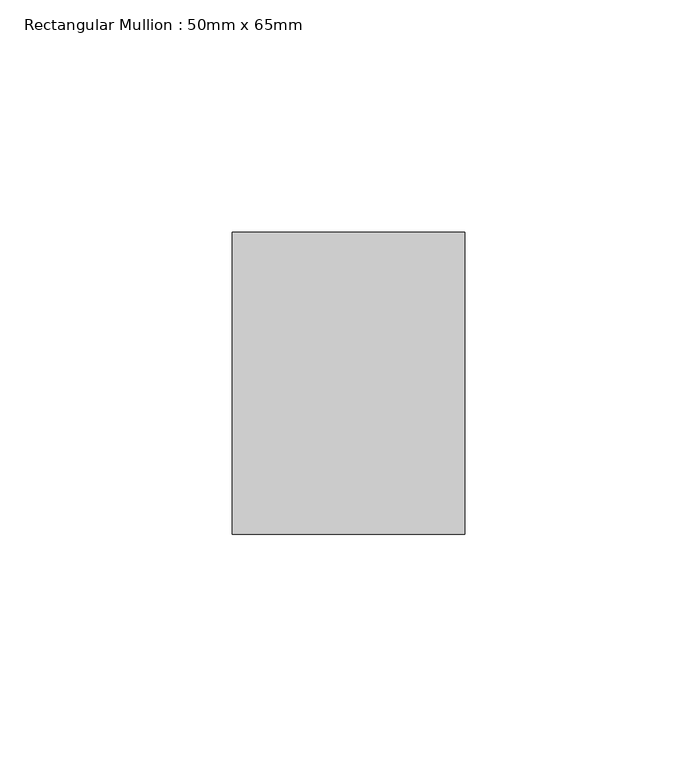
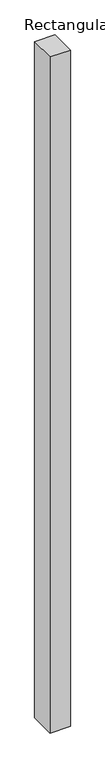
"""IFC4 building model written with IfcOpenShell, lengths in millimetres: member geometry, Rectangular Mullion : 50mm x 65mm."""

import ifcopenshell
import ifcopenshell.guid

model = None  # the IFC model being written
_history = None  # IfcOwnerHistory: only IFC2X3 demands one
_inside = {}  # id of a spatial element -> (the spatial element, [elements in it])
_under = {}  # id of a project, library or spatial element -> (it, [spatial elements below it])
_declared = {}  # id of a project -> (the project, [libraries it declares])
_typed = {}  # id of a type object -> (the type object, [elements of that type])
_made_of = {}  # id of a material, layer set ... -> (it, [elements and type objects made of it])


def new_model(schema):
    """Start an empty IFC model of exactly this schema.

    Asked for "IFC4X3", IfcOpenShell would pick the latest addendum, in which some entities
    have other attributes; the version numbers below select the first issue.
    IFC2X3 requires an IfcOwnerHistory on every rooted entity: one is made here for all.
    """
    global model, _history
    if schema == "IFC4X3":
        model = ifcopenshell.file(schema_version=(4, 3, 0, 0))
    else:
        model = ifcopenshell.file(schema=schema)
    _inside.clear()
    _under.clear()
    _declared.clear()
    _typed.clear()
    _made_of.clear()
    _history = None
    if model.schema == "IFC2X3":
        org = make("IfcOrganization", Name="unknown")
        user = make(
            "IfcPersonAndOrganization",
            ThePerson=make("IfcPerson", FamilyName="unknown"),
            TheOrganization=org,
        )
        app = make(
            "IfcApplication",
            ApplicationDeveloper=org,
            Version="unknown",
            ApplicationFullName="unknown",
            ApplicationIdentifier="unknown",
        )
        _history = make(
            "IfcOwnerHistory",
            OwningUser=user,
            OwningApplication=app,
            ChangeAction="ADDED",
            CreationDate=0,
        )
    return model


def make(cls, **values):
    """One entity of the class cls with the attributes given. An attribute that is None is left unset."""
    return model.create_entity(
        cls, **{name: value for name, value in values.items() if value is not None}
    )


def rooted(cls, **values):
    """An entity with a GlobalId (a new one), such as an element, a storey or a relation."""
    return make(cls, GlobalId=ifcopenshell.guid.new(), OwnerHistory=_history, **values)


def si_unit(unit_type, name, prefix=None):
    """IfcSIUnit, for example si_unit("LENGTHUNIT", "METRE", prefix="MILLI")."""
    return make("IfcSIUnit", UnitType=unit_type, Prefix=prefix, Name=name)


def assignment(units):
    """IfcUnitAssignment: the units of a project."""
    return None if units is None else make("IfcUnitAssignment", Units=units)


def point(xyz):
    """IfcCartesianPoint."""
    return None if xyz is None else make("IfcCartesianPoint", Coordinates=xyz)


def direction(xyz):
    """IfcDirection."""
    return None if xyz is None else make("IfcDirection", DirectionRatios=xyz)


def frame(location, z_axis=None, x_axis=None):
    """IfcAxis2Placement3D, a coordinate frame: its origin and axes. An axis left out is left unset."""
    return make(
        "IfcAxis2Placement3D",
        Location=point(location),
        Axis=direction(z_axis),
        RefDirection=direction(x_axis),
    )


def origin():
    """The frame at (0, 0, 0) with its axes left unset."""
    return frame((0.0, 0.0, 0.0))


def place(relative_to, where):
    """IfcLocalPlacement: puts the frame where relative to a parent placement (None: the world)."""
    return make(
        "IfcLocalPlacement", PlacementRelTo=relative_to, RelativePlacement=where
    )


def context(
    kind, dimensions, precision=None, world=None, true_north=None, identifier=None
):
    """IfcGeometricRepresentationContext, for example the 3D "Model" context."""
    return make(
        "IfcGeometricRepresentationContext",
        ContextIdentifier=identifier,
        ContextType=kind,
        CoordinateSpaceDimension=dimensions,
        Precision=precision,
        WorldCoordinateSystem=world,
        TrueNorth=true_north,
    )


def project(units=None, contexts=None):
    """IfcProject with its units and contexts."""
    return rooted(
        "IfcProject",
        Name="project",
        RepresentationContexts=contexts,
        UnitsInContext=assignment(units),
    )


def spatial(cls, under=None, at=None, **own):
    """A site, building, storey or space (cls), placed at a placement, below another one or the project."""
    s = rooted(cls, ObjectPlacement=at, **own)
    if under is not None:
        _under.setdefault(under.id(), (under, []))[1].append(s)
    return s


def polyline(points):
    """IfcPolyline through the points."""
    return make("IfcPolyline", Points=[point(p) for p in points])


def outline(outer, holes=None, kind="AREA"):
    """IfcArbitraryClosedProfileDef: a profile drawn as a closed curve; with holes, ...WithVoids."""
    if holes is None:
        return make("IfcArbitraryClosedProfileDef", ProfileType=kind, OuterCurve=outer)
    return make(
        "IfcArbitraryProfileDefWithVoids",
        ProfileType=kind,
        OuterCurve=outer,
        InnerCurves=holes,
    )


def extrude(swept, where, along, depth):
    """IfcExtrudedAreaSolid: the profile swept, set in the frame where, extruded along a direction by depth."""
    return make(
        "IfcExtrudedAreaSolid",
        SweptArea=swept,
        Position=where,
        ExtrudedDirection=direction(along),
        Depth=depth,
    )


def shape(context_of_items, identifier, shape_type, items):
    """IfcShapeRepresentation: the items that make up one representation, for example the "Body"."""
    return make(
        "IfcShapeRepresentation",
        ContextOfItems=context_of_items,
        RepresentationIdentifier=identifier,
        RepresentationType=shape_type,
        Items=items,
    )


def source(mapping_origin, context_of_items, identifier, shape_type, items):
    """IfcRepresentationMap: a shape defined once, which mapped items show again and again."""
    return make(
        "IfcRepresentationMap",
        MappingOrigin=mapping_origin,
        MappedRepresentation=shape(context_of_items, identifier, shape_type, items),
    )


def transform(
    local_origin,
    x_axis=None,
    y_axis=None,
    z_axis=None,
    scale=None,
    scale2=None,
    scale3=None,
    uniform=True,
):
    """IfcCartesianTransformationOperator3D, or its non-uniform kind. x_axis, y_axis, z_axis: its Axis1, 2, 3."""
    if uniform:
        return make(
            "IfcCartesianTransformationOperator3D",
            Axis1=direction(x_axis),
            Axis2=direction(y_axis),
            LocalOrigin=point(local_origin),
            Scale=scale,
            Axis3=direction(z_axis),
        )
    return make(
        "IfcCartesianTransformationOperator3DnonUniform",
        Axis1=direction(x_axis),
        Axis2=direction(y_axis),
        LocalOrigin=point(local_origin),
        Scale=scale,
        Axis3=direction(z_axis),
        Scale2=scale2,
        Scale3=scale3,
    )


def mapped(mapping_source, mapping_target):
    """IfcMappedItem: shows the shape of a source again, moved by a transform."""
    return make(
        "IfcMappedItem", MappingSource=mapping_source, MappingTarget=mapping_target
    )


def made_of(thing, what):
    """Note that an element or type object is made of a material, layer set ...; save() writes the relation."""
    if what is not None:
        _made_of.setdefault(what.id(), (what, []))[1].append(thing)
    return thing


def element(
    cls,
    number,
    at=None,
    inside=None,
    cuts=None,
    type_object=None,
    material=None,
    context=None,
    identifier="Body",
    shape_type=None,
    held_by="IfcProductDefinitionShape",
    body=None,
    shapes=None,
    **own,
):
    """One element of the class cls, such as IfcWall. Its Tag is "e" and its number.

    at: its placement. inside: the storey or other place that contains it. cuts: it is an
    opening in that element (IfcRelVoidsElement). A single representation is given by context,
    identifier, shape_type and body (its items); several are given by shapes. held_by: the class
    of the entity that holds the representations. save() writes the other relations.
    """
    e = rooted(cls, Tag="e%d" % number, ObjectPlacement=at, **own)
    if body is not None:
        shapes = [shape(context, identifier, shape_type, body)]
    if shapes is not None:
        e.Representation = make(held_by, Representations=shapes)
    if inside is not None:
        _inside.setdefault(inside.id(), (inside, []))[1].append(e)
    if cuts is not None:
        rooted(
            "IfcRelVoidsElement", RelatingBuildingElement=cuts, RelatedOpeningElement=e
        )
    if type_object is not None:
        _typed.setdefault(type_object.id(), (type_object, []))[1].append(e)
    return made_of(e, material)


def aggregate(whole, parts):
    """IfcRelAggregates: a whole, such as a stair, and the parts it consists of."""
    return rooted("IfcRelAggregates", RelatingObject=whole, RelatedObjects=parts)


def save(model, path):
    """Write the relations noted so far, then the file.

    IfcRelAggregates (storeys below a building ...), IfcRelContainedInSpatialStructure (elements
    in a storey), IfcRelDefinesByType, IfcRelAssociatesMaterial and IfcRelDeclares: one each for
    every whole, place, type object, material and project.
    """
    for whole, parts in _under.values():
        aggregate(whole, parts)
    for where, things in _inside.values():
        rooted(
            "IfcRelContainedInSpatialStructure",
            RelatedElements=things,
            RelatingStructure=where,
        )
    for kind, things in _typed.values():
        rooted("IfcRelDefinesByType", RelatedObjects=things, RelatingType=kind)
    for what, things in _made_of.values():
        rooted("IfcRelAssociatesMaterial", RelatedObjects=things, RelatingMaterial=what)
    for by, libraries in _declared.values():
        rooted("IfcRelDeclares", RelatingContext=by, RelatedDefinitions=libraries)
    model.write(path)


def rectangular_mullion_50mm_x_65mm_97ea55d0(model_context):
    return source(origin(), model_context, "Body", "SweptSolid", [
        extrude(outline(polyline([(25.0, 32.5), (25.0, -32.5), (-25.0, -32.5), (-25.0, 32.5), (25.0, 32.5)])), frame((0.0, 0.0, -1754.4951641), z_axis=(0.0, 0.0, 1.0), x_axis=(1.0, 0.0, 0.0)), (0.0, 0.0, 1.0), 1754.4951641),
    ])


if __name__ == "__main__":
    model = new_model("IFC4")
    model_context = context("Model", 3, world=origin())
    ifc_project = project(units=[si_unit("LENGTHUNIT", "METRE", prefix="MILLI")], contexts=[model_context])
    site = spatial("IfcSite", under=ifc_project)
    building = spatial("IfcBuilding", under=site)
    placement = place(None, origin())
    rectangular_mullion_50mm_x_65mm_shape = rectangular_mullion_50mm_x_65mm_97ea55d0(model_context)
    element("IfcMember", 1, ObjectType="Rectangular Mullion : 50mm x 65mm", at=placement, inside=building, context=model_context, shape_type="MappedRepresentation", body=[
        mapped(rectangular_mullion_50mm_x_65mm_shape, transform((0.0, 0.0, 0.0), x_axis=(1.0, 0.0, 0.0), y_axis=(0.0, 1.0, 0.0), z_axis=(0.0, 0.0, 1.0))),
    ])
    save(model, "model.ifc")
